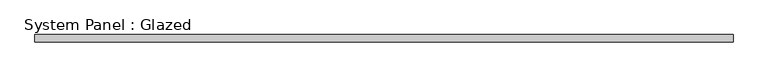
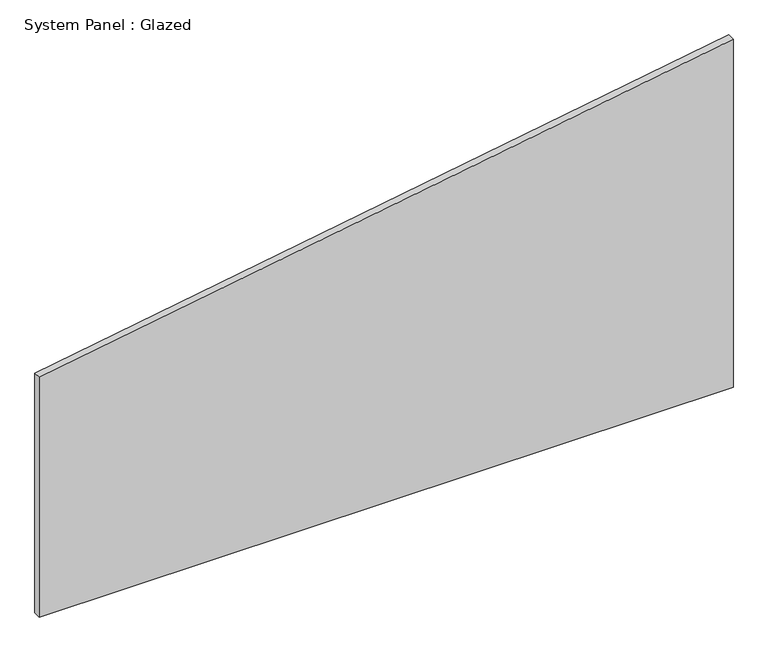
"""IFC4 building model written with IfcOpenShell, lengths in millimetres: plate geometry, System Panel : Glazed."""

import ifcopenshell
import ifcopenshell.guid

model = None  # the IFC model being written
_history = None  # IfcOwnerHistory: only IFC2X3 demands one
_inside = {}  # id of a spatial element -> (the spatial element, [elements in it])
_under = {}  # id of a project, library or spatial element -> (it, [spatial elements below it])
_declared = {}  # id of a project -> (the project, [libraries it declares])
_typed = {}  # id of a type object -> (the type object, [elements of that type])
_made_of = {}  # id of a material, layer set ... -> (it, [elements and type objects made of it])


def new_model(schema):
    """Start an empty IFC model of exactly this schema.

    Asked for "IFC4X3", IfcOpenShell would pick the latest addendum, in which some entities
    have other attributes; the version numbers below select the first issue.
    IFC2X3 requires an IfcOwnerHistory on every rooted entity: one is made here for all.
    """
    global model, _history
    if schema == "IFC4X3":
        model = ifcopenshell.file(schema_version=(4, 3, 0, 0))
    else:
        model = ifcopenshell.file(schema=schema)
    _inside.clear()
    _under.clear()
    _declared.clear()
    _typed.clear()
    _made_of.clear()
    _history = None
    if model.schema == "IFC2X3":
        org = make("IfcOrganization", Name="unknown")
        user = make(
            "IfcPersonAndOrganization",
            ThePerson=make("IfcPerson", FamilyName="unknown"),
            TheOrganization=org,
        )
        app = make(
            "IfcApplication",
            ApplicationDeveloper=org,
            Version="unknown",
            ApplicationFullName="unknown",
            ApplicationIdentifier="unknown",
        )
        _history = make(
            "IfcOwnerHistory",
            OwningUser=user,
            OwningApplication=app,
            ChangeAction="ADDED",
            CreationDate=0,
        )
    return model


def make(cls, **values):
    """One entity of the class cls with the attributes given. An attribute that is None is left unset."""
    return model.create_entity(
        cls, **{name: value for name, value in values.items() if value is not None}
    )


def rooted(cls, **values):
    """An entity with a GlobalId (a new one), such as an element, a storey or a relation."""
    return make(cls, GlobalId=ifcopenshell.guid.new(), OwnerHistory=_history, **values)


def si_unit(unit_type, name, prefix=None):
    """IfcSIUnit, for example si_unit("LENGTHUNIT", "METRE", prefix="MILLI")."""
    return make("IfcSIUnit", UnitType=unit_type, Prefix=prefix, Name=name)


def assignment(units):
    """IfcUnitAssignment: the units of a project."""
    return None if units is None else make("IfcUnitAssignment", Units=units)


def point(xyz):
    """IfcCartesianPoint."""
    return None if xyz is None else make("IfcCartesianPoint", Coordinates=xyz)


def direction(xyz):
    """IfcDirection."""
    return None if xyz is None else make("IfcDirection", DirectionRatios=xyz)


def frame(location, z_axis=None, x_axis=None):
    """IfcAxis2Placement3D, a coordinate frame: its origin and axes. An axis left out is left unset."""
    return make(
        "IfcAxis2Placement3D",
        Location=point(location),
        Axis=direction(z_axis),
        RefDirection=direction(x_axis),
    )


def origin():
    """The frame at (0, 0, 0) with its axes left unset."""
    return frame((0.0, 0.0, 0.0))


def place(relative_to, where):
    """IfcLocalPlacement: puts the frame where relative to a parent placement (None: the world)."""
    return make(
        "IfcLocalPlacement", PlacementRelTo=relative_to, RelativePlacement=where
    )


def context(
    kind, dimensions, precision=None, world=None, true_north=None, identifier=None
):
    """IfcGeometricRepresentationContext, for example the 3D "Model" context."""
    return make(
        "IfcGeometricRepresentationContext",
        ContextIdentifier=identifier,
        ContextType=kind,
        CoordinateSpaceDimension=dimensions,
        Precision=precision,
        WorldCoordinateSystem=world,
        TrueNorth=true_north,
    )


def project(units=None, contexts=None):
    """IfcProject with its units and contexts."""
    return rooted(
        "IfcProject",
        Name="project",
        RepresentationContexts=contexts,
        UnitsInContext=assignment(units),
    )


def spatial(cls, under=None, at=None, **own):
    """A site, building, storey or space (cls), placed at a placement, below another one or the project."""
    s = rooted(cls, ObjectPlacement=at, **own)
    if under is not None:
        _under.setdefault(under.id(), (under, []))[1].append(s)
    return s


def polyline(points):
    """IfcPolyline through the points."""
    return make("IfcPolyline", Points=[point(p) for p in points])


def outline(outer, holes=None, kind="AREA"):
    """IfcArbitraryClosedProfileDef: a profile drawn as a closed curve; with holes, ...WithVoids."""
    if holes is None:
        return make("IfcArbitraryClosedProfileDef", ProfileType=kind, OuterCurve=outer)
    return make(
        "IfcArbitraryProfileDefWithVoids",
        ProfileType=kind,
        OuterCurve=outer,
        InnerCurves=holes,
    )


def extrude(swept, where, along, depth):
    """IfcExtrudedAreaSolid: the profile swept, set in the frame where, extruded along a direction by depth."""
    return make(
        "IfcExtrudedAreaSolid",
        SweptArea=swept,
        Position=where,
        ExtrudedDirection=direction(along),
        Depth=depth,
    )


def shape(context_of_items, identifier, shape_type, items):
    """IfcShapeRepresentation: the items that make up one representation, for example the "Body"."""
    return make(
        "IfcShapeRepresentation",
        ContextOfItems=context_of_items,
        RepresentationIdentifier=identifier,
        RepresentationType=shape_type,
        Items=items,
    )


def source(mapping_origin, context_of_items, identifier, shape_type, items):
    """IfcRepresentationMap: a shape defined once, which mapped items show again and again."""
    return make(
        "IfcRepresentationMap",
        MappingOrigin=mapping_origin,
        MappedRepresentation=shape(context_of_items, identifier, shape_type, items),
    )


def transform(
    local_origin,
    x_axis=None,
    y_axis=None,
    z_axis=None,
    scale=None,
    scale2=None,
    scale3=None,
    uniform=True,
):
    """IfcCartesianTransformationOperator3D, or its non-uniform kind. x_axis, y_axis, z_axis: its Axis1, 2, 3."""
    if uniform:
        return make(
            "IfcCartesianTransformationOperator3D",
            Axis1=direction(x_axis),
            Axis2=direction(y_axis),
            LocalOrigin=point(local_origin),
            Scale=scale,
            Axis3=direction(z_axis),
        )
    return make(
        "IfcCartesianTransformationOperator3DnonUniform",
        Axis1=direction(x_axis),
        Axis2=direction(y_axis),
        LocalOrigin=point(local_origin),
        Scale=scale,
        Axis3=direction(z_axis),
        Scale2=scale2,
        Scale3=scale3,
    )


def mapped(mapping_source, mapping_target):
    """IfcMappedItem: shows the shape of a source again, moved by a transform."""
    return make(
        "IfcMappedItem", MappingSource=mapping_source, MappingTarget=mapping_target
    )


def made_of(thing, what):
    """Note that an element or type object is made of a material, layer set ...; save() writes the relation."""
    if what is not None:
        _made_of.setdefault(what.id(), (what, []))[1].append(thing)
    return thing


def element(
    cls,
    number,
    at=None,
    inside=None,
    cuts=None,
    type_object=None,
    material=None,
    context=None,
    identifier="Body",
    shape_type=None,
    held_by="IfcProductDefinitionShape",
    body=None,
    shapes=None,
    **own,
):
    """One element of the class cls, such as IfcWall. Its Tag is "e" and its number.

    at: its placement. inside: the storey or other place that contains it. cuts: it is an
    opening in that element (IfcRelVoidsElement). A single representation is given by context,
    identifier, shape_type and body (its items); several are given by shapes. held_by: the class
    of the entity that holds the representations. save() writes the other relations.
    """
    e = rooted(cls, Tag="e%d" % number, ObjectPlacement=at, **own)
    if body is not None:
        shapes = [shape(context, identifier, shape_type, body)]
    if shapes is not None:
        e.Representation = make(held_by, Representations=shapes)
    if inside is not None:
        _inside.setdefault(inside.id(), (inside, []))[1].append(e)
    if cuts is not None:
        rooted(
            "IfcRelVoidsElement", RelatingBuildingElement=cuts, RelatedOpeningElement=e
        )
    if type_object is not None:
        _typed.setdefault(type_object.id(), (type_object, []))[1].append(e)
    return made_of(e, material)


def aggregate(whole, parts):
    """IfcRelAggregates: a whole, such as a stair, and the parts it consists of."""
    return rooted("IfcRelAggregates", RelatingObject=whole, RelatedObjects=parts)


def save(model, path):
    """Write the relations noted so far, then the file.

    IfcRelAggregates (storeys below a building ...), IfcRelContainedInSpatialStructure (elements
    in a storey), IfcRelDefinesByType, IfcRelAssociatesMaterial and IfcRelDeclares: one each for
    every whole, place, type object, material and project.
    """
    for whole, parts in _under.values():
        aggregate(whole, parts)
    for where, things in _inside.values():
        rooted(
            "IfcRelContainedInSpatialStructure",
            RelatedElements=things,
            RelatingStructure=where,
        )
    for kind, things in _typed.values():
        rooted("IfcRelDefinesByType", RelatedObjects=things, RelatingType=kind)
    for what, things in _made_of.values():
        rooted("IfcRelAssociatesMaterial", RelatedObjects=things, RelatingMaterial=what)
    for by, libraries in _declared.values():
        rooted("IfcRelDeclares", RelatingContext=by, RelatedDefinitions=libraries)
    model.write(path)


def system_panel_glazed_159f4066(model_context):
    return source(origin(), model_context, "Body", "SweptSolid", [
        extrude(outline(polyline([(0.0, -1171.7121958), (0.0, 1171.7121958), (1242.7725976, 1171.7121958), (855.6434646, -1171.7121958), (0.0, -1171.7121958)])), frame((0.0, -49.5, 0.0), z_axis=(0.0, 1.0, 0.0), x_axis=(0.0, 0.0, 1.0)), (0.0, 0.0, 1.0), 25.0),
    ])


if __name__ == "__main__":
    model = new_model("IFC4")
    model_context = context("Model", 3, world=origin())
    ifc_project = project(units=[si_unit("LENGTHUNIT", "METRE", prefix="MILLI")], contexts=[model_context])
    site = spatial("IfcSite", under=ifc_project)
    building = spatial("IfcBuilding", under=site)
    placement = place(None, origin())
    system_panel_glazed_shape = system_panel_glazed_159f4066(model_context)
    element("IfcPlate", 1, ObjectType="System Panel : Glazed", at=placement, inside=building, context=model_context, shape_type="MappedRepresentation", body=[
        mapped(system_panel_glazed_shape, transform((0.0, 0.0, 0.0), x_axis=(1.0, 0.0, 0.0), y_axis=(0.0, 1.0, 0.0), z_axis=(0.0, 0.0, 1.0))),
    ])
    save(model, "model.ifc")
